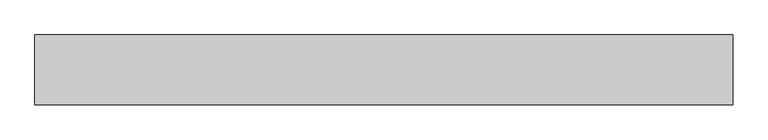
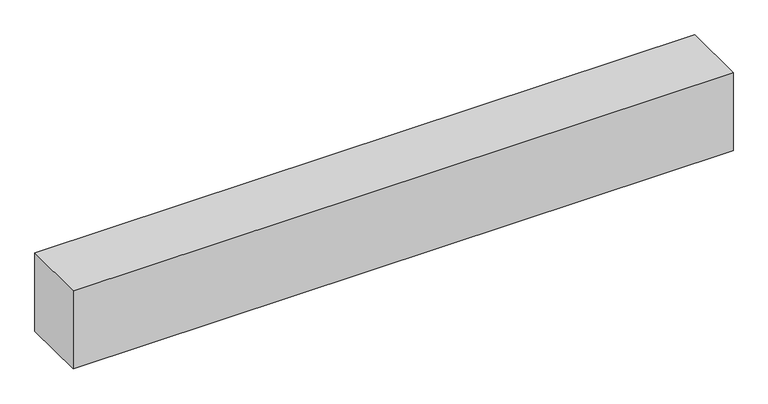
"""IFC4 building model written with IfcOpenShell, lengths in millimetres: beam geometry."""

from ifc_helpers import new_model, si_unit, origin, origin_with_axes, place, context, project, spatial, polyline, outline, extrude, source, transform, mapped, element, save


def beam_7b5e1c15(model_context):
    return source(origin(), model_context, "Body", "SweptSolid", [
        extrude(outline(polyline([(1000.0, -100.0), (-1000.0, -100.0), (-1000.0, 100.0), (1000.0, 100.0), (1000.0, -100.0)])), origin_with_axes(), (0.0, 0.0, 1.0), 250.0),
    ])


if __name__ == "__main__":
    model = new_model("IFC4")
    model_context = context("Model", 3, world=origin())
    ifc_project = project(units=[si_unit("LENGTHUNIT", "METRE", prefix="MILLI")], contexts=[model_context])
    site = spatial("IfcSite", under=ifc_project)
    building = spatial("IfcBuilding", under=site)
    placement = place(None, origin())
    beam_shape = beam_7b5e1c15(model_context)
    element("IfcBeam", 1, at=placement, inside=building, context=model_context, shape_type="MappedRepresentation", body=[
        mapped(beam_shape, transform((0.0, 0.0, 0.0), x_axis=(1.0, 0.0, 0.0), y_axis=(0.0, 1.0, 0.0), z_axis=(0.0, 0.0, 1.0))),
    ])
    save(model, "model.ifc")
